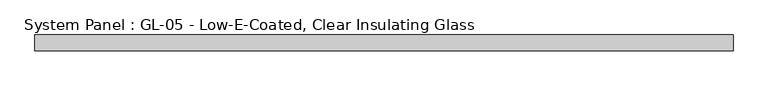
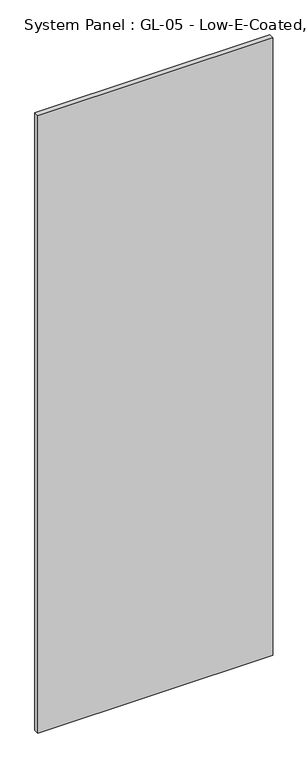
"""IFC4 building model written with IfcOpenShell, lengths in millimetres: plate geometry, System Panel : GL-05 - Low-E-Coated, Clear Insulating Glass."""

from ifc_helpers import new_model, si_unit, origin, origin_with_axes, place, context, project, spatial, polyline, outline, extrude, source, transform, mapped, element, save


def system_panel_gl_05_low_e_coated_clear_insulating_glass_e98d9069(model_context):
    return source(origin(), model_context, "Body", "SweptSolid", [
        extrude(outline(polyline([(565.712018, -12.7), (-565.712018, -12.7), (-565.712018, 12.7), (565.712018, 12.7), (565.712018, -12.7)])), origin_with_axes(), (0.0, 0.0, 1.0), 3143.25),
    ])


if __name__ == "__main__":
    model = new_model("IFC4")
    model_context = context("Model", 3, world=origin())
    ifc_project = project(units=[si_unit("LENGTHUNIT", "METRE", prefix="MILLI")], contexts=[model_context])
    site = spatial("IfcSite", under=ifc_project)
    building = spatial("IfcBuilding", under=site)
    placement = place(None, origin())
    system_panel_gl_05_low_e_coated_clear_insulating_glass_shape = system_panel_gl_05_low_e_coated_clear_insulating_glass_e98d9069(model_context)
    element("IfcPlate", 1, ObjectType="System Panel : GL-05 - Low-E-Coated, Clear Insulating Glass", at=placement, inside=building, context=model_context, shape_type="MappedRepresentation", body=[
        mapped(system_panel_gl_05_low_e_coated_clear_insulating_glass_shape, transform((0.0, 0.0, 0.0), x_axis=(1.0, 0.0, 0.0), y_axis=(0.0, 1.0, 0.0), z_axis=(0.0, 0.0, 1.0))),
    ])
    save(model, "model.ifc")
